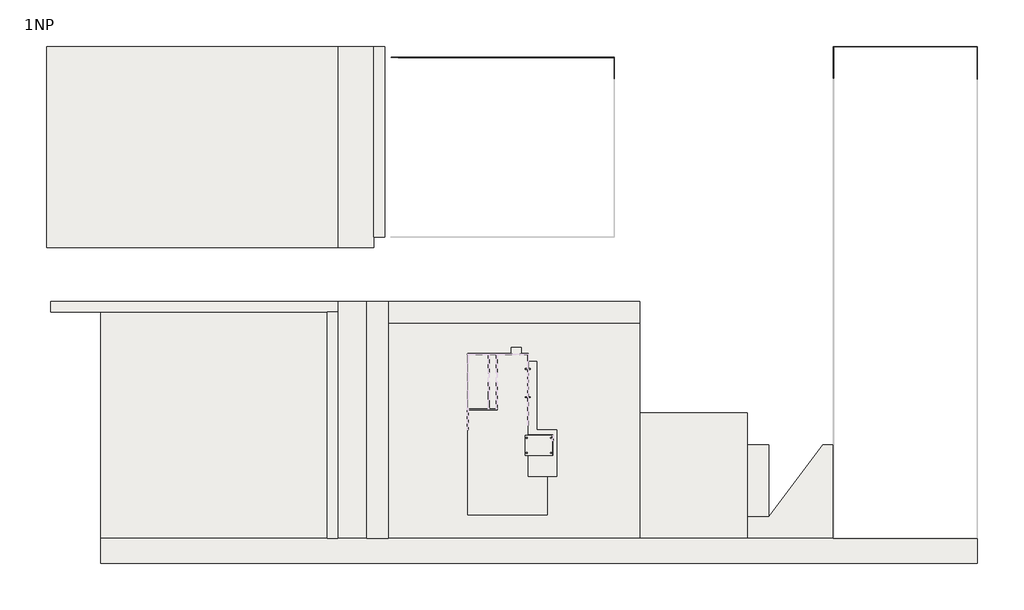
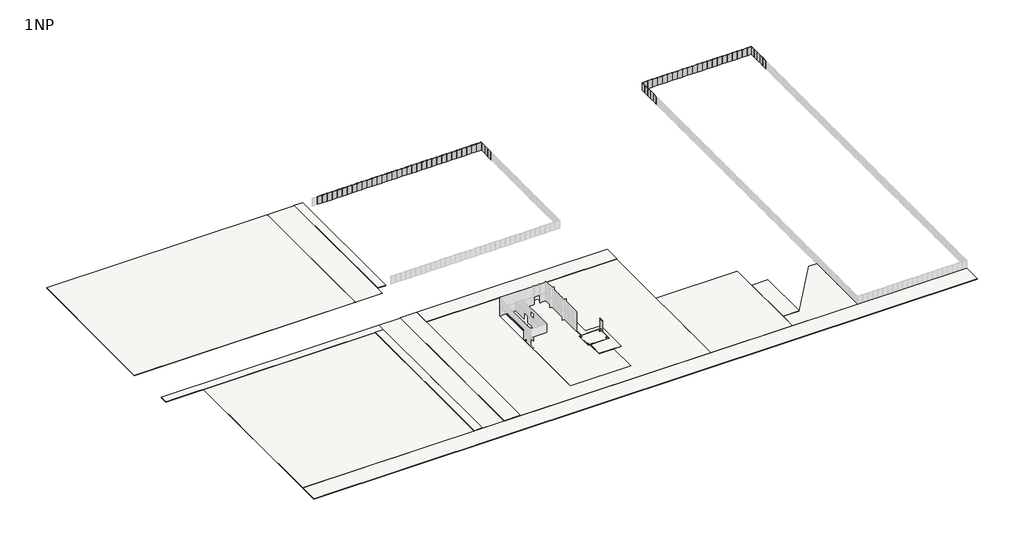
# One storey, part 10 of 52: 103 plates, 17 slabs.
"""IFC4 building model written with IfcOpenShell, lengths in millimetres."""

import ifcopenshell
import ifcopenshell.guid

model = None  # the IFC model being written
_history = None  # IfcOwnerHistory: only IFC2X3 demands one
_inside = {}  # id of a spatial element -> (the spatial element, [elements in it])
_under = {}  # id of a project, library or spatial element -> (it, [spatial elements below it])
_declared = {}  # id of a project -> (the project, [libraries it declares])
_typed = {}  # id of a type object -> (the type object, [elements of that type])
_made_of = {}  # id of a material, layer set ... -> (it, [elements and type objects made of it])


def new_model(schema):
    """Start an empty IFC model of exactly this schema.

    Asked for "IFC4X3", IfcOpenShell would pick the latest addendum, in which some entities
    have other attributes; the version numbers below select the first issue.
    IFC2X3 requires an IfcOwnerHistory on every rooted entity: one is made here for all.
    """
    global model, _history
    if schema == "IFC4X3":
        model = ifcopenshell.file(schema_version=(4, 3, 0, 0))
    else:
        model = ifcopenshell.file(schema=schema)
    _inside.clear()
    _under.clear()
    _declared.clear()
    _typed.clear()
    _made_of.clear()
    _history = None
    if model.schema == "IFC2X3":
        org = make("IfcOrganization", Name="unknown")
        user = make(
            "IfcPersonAndOrganization",
            ThePerson=make("IfcPerson", FamilyName="unknown"),
            TheOrganization=org,
        )
        app = make(
            "IfcApplication",
            ApplicationDeveloper=org,
            Version="unknown",
            ApplicationFullName="unknown",
            ApplicationIdentifier="unknown",
        )
        _history = make(
            "IfcOwnerHistory",
            OwningUser=user,
            OwningApplication=app,
            ChangeAction="ADDED",
            CreationDate=0,
        )
    return model


def make(cls, **values):
    """One entity of the class cls with the attributes given. An attribute that is None is left unset."""
    return model.create_entity(
        cls, **{name: value for name, value in values.items() if value is not None}
    )


def rooted(cls, **values):
    """An entity with a GlobalId (a new one), such as an element, a storey or a relation."""
    return make(cls, GlobalId=ifcopenshell.guid.new(), OwnerHistory=_history, **values)


def si_unit(unit_type, name, prefix=None):
    """IfcSIUnit, for example si_unit("LENGTHUNIT", "METRE", prefix="MILLI")."""
    return make("IfcSIUnit", UnitType=unit_type, Prefix=prefix, Name=name)


def assignment(units):
    """IfcUnitAssignment: the units of a project."""
    return None if units is None else make("IfcUnitAssignment", Units=units)


def point(xyz):
    """IfcCartesianPoint."""
    return None if xyz is None else make("IfcCartesianPoint", Coordinates=xyz)


def direction(xyz):
    """IfcDirection."""
    return None if xyz is None else make("IfcDirection", DirectionRatios=xyz)


def frame(location, z_axis=None, x_axis=None):
    """IfcAxis2Placement3D, a coordinate frame: its origin and axes. An axis left out is left unset."""
    return make(
        "IfcAxis2Placement3D",
        Location=point(location),
        Axis=direction(z_axis),
        RefDirection=direction(x_axis),
    )


def frame_2d(location, x_axis=None):
    """IfcAxis2Placement2D, a coordinate frame in the plane: its origin and x axis."""
    return make(
        "IfcAxis2Placement2D", Location=point(location), RefDirection=direction(x_axis)
    )


def origin():
    """The frame at (0, 0, 0) with its axes left unset."""
    return frame((0.0, 0.0, 0.0))


def origin_with_axes():
    """The frame at (0, 0, 0) with the z axis (0, 0, 1) and the x axis (1, 0, 0) written out."""
    return frame((0.0, 0.0, 0.0), z_axis=(0.0, 0.0, 1.0), x_axis=(1.0, 0.0, 0.0))


def place(relative_to, where):
    """IfcLocalPlacement: puts the frame where relative to a parent placement (None: the world)."""
    return make(
        "IfcLocalPlacement", PlacementRelTo=relative_to, RelativePlacement=where
    )


def context(
    kind, dimensions, precision=None, world=None, true_north=None, identifier=None
):
    """IfcGeometricRepresentationContext, for example the 3D "Model" context."""
    return make(
        "IfcGeometricRepresentationContext",
        ContextIdentifier=identifier,
        ContextType=kind,
        CoordinateSpaceDimension=dimensions,
        Precision=precision,
        WorldCoordinateSystem=world,
        TrueNorth=true_north,
    )


def project(units=None, contexts=None):
    """IfcProject with its units and contexts."""
    return rooted(
        "IfcProject",
        Name="project",
        RepresentationContexts=contexts,
        UnitsInContext=assignment(units),
    )


def spatial(cls, under=None, at=None, **own):
    """A site, building, storey or space (cls), placed at a placement, below another one or the project."""
    s = rooted(cls, ObjectPlacement=at, **own)
    if under is not None:
        _under.setdefault(under.id(), (under, []))[1].append(s)
    return s


def polyline(points):
    """IfcPolyline through the points."""
    return make("IfcPolyline", Points=[point(p) for p in points])


def circle_curve(where, radius):
    """IfcCircle in the frame where."""
    return make("IfcCircle", Position=where, Radius=radius)


def trimmed(basis, trim1, trim2, sense, master):
    """IfcTrimmedCurve: the piece of a basis curve between two trims."""
    return make(
        "IfcTrimmedCurve",
        BasisCurve=basis,
        Trim1=trim1,
        Trim2=trim2,
        SenseAgreement=sense,
        MasterRepresentation=master,
    )


def segment(curve, same_sense, transition):
    """IfcCompositeCurveSegment."""
    return make(
        "IfcCompositeCurveSegment",
        Transition=transition,
        SameSense=same_sense,
        ParentCurve=curve,
    )


def composite_curve(segments, self_intersect=None):
    """IfcCompositeCurve: segments joined end to end."""
    return make("IfcCompositeCurve", Segments=segments, SelfIntersect=self_intersect)


def outline(outer, holes=None, kind="AREA"):
    """IfcArbitraryClosedProfileDef: a profile drawn as a closed curve; with holes, ...WithVoids."""
    if holes is None:
        return make("IfcArbitraryClosedProfileDef", ProfileType=kind, OuterCurve=outer)
    return make(
        "IfcArbitraryProfileDefWithVoids",
        ProfileType=kind,
        OuterCurve=outer,
        InnerCurves=holes,
    )


def extrude(swept, where, along, depth):
    """IfcExtrudedAreaSolid: the profile swept, set in the frame where, extruded along a direction by depth."""
    return make(
        "IfcExtrudedAreaSolid",
        SweptArea=swept,
        Position=where,
        ExtrudedDirection=direction(along),
        Depth=depth,
    )


def shape(context_of_items, identifier, shape_type, items):
    """IfcShapeRepresentation: the items that make up one representation, for example the "Body"."""
    return make(
        "IfcShapeRepresentation",
        ContextOfItems=context_of_items,
        RepresentationIdentifier=identifier,
        RepresentationType=shape_type,
        Items=items,
    )


def source(mapping_origin, context_of_items, identifier, shape_type, items):
    """IfcRepresentationMap: a shape defined once, which mapped items show again and again."""
    return make(
        "IfcRepresentationMap",
        MappingOrigin=mapping_origin,
        MappedRepresentation=shape(context_of_items, identifier, shape_type, items),
    )


def transform(
    local_origin,
    x_axis=None,
    y_axis=None,
    z_axis=None,
    scale=None,
    scale2=None,
    scale3=None,
    uniform=True,
):
    """IfcCartesianTransformationOperator3D, or its non-uniform kind. x_axis, y_axis, z_axis: its Axis1, 2, 3."""
    if uniform:
        return make(
            "IfcCartesianTransformationOperator3D",
            Axis1=direction(x_axis),
            Axis2=direction(y_axis),
            LocalOrigin=point(local_origin),
            Scale=scale,
            Axis3=direction(z_axis),
        )
    return make(
        "IfcCartesianTransformationOperator3DnonUniform",
        Axis1=direction(x_axis),
        Axis2=direction(y_axis),
        LocalOrigin=point(local_origin),
        Scale=scale,
        Axis3=direction(z_axis),
        Scale2=scale2,
        Scale3=scale3,
    )


def mapped(mapping_source, mapping_target):
    """IfcMappedItem: shows the shape of a source again, moved by a transform."""
    return make(
        "IfcMappedItem", MappingSource=mapping_source, MappingTarget=mapping_target
    )


def made_of(thing, what):
    """Note that an element or type object is made of a material, layer set ...; save() writes the relation."""
    if what is not None:
        _made_of.setdefault(what.id(), (what, []))[1].append(thing)
    return thing


def element(
    cls,
    number,
    at=None,
    inside=None,
    cuts=None,
    type_object=None,
    material=None,
    context=None,
    identifier="Body",
    shape_type=None,
    held_by="IfcProductDefinitionShape",
    body=None,
    shapes=None,
    **own,
):
    """One element of the class cls, such as IfcWall. Its Tag is "e" and its number.

    at: its placement. inside: the storey or other place that contains it. cuts: it is an
    opening in that element (IfcRelVoidsElement). A single representation is given by context,
    identifier, shape_type and body (its items); several are given by shapes. held_by: the class
    of the entity that holds the representations. save() writes the other relations.
    """
    e = rooted(cls, Tag="e%d" % number, ObjectPlacement=at, **own)
    if body is not None:
        shapes = [shape(context, identifier, shape_type, body)]
    if shapes is not None:
        e.Representation = make(held_by, Representations=shapes)
    if inside is not None:
        _inside.setdefault(inside.id(), (inside, []))[1].append(e)
    if cuts is not None:
        rooted(
            "IfcRelVoidsElement", RelatingBuildingElement=cuts, RelatedOpeningElement=e
        )
    if type_object is not None:
        _typed.setdefault(type_object.id(), (type_object, []))[1].append(e)
    return made_of(e, material)


def aggregate(whole, parts):
    """IfcRelAggregates: a whole, such as a stair, and the parts it consists of."""
    return rooted("IfcRelAggregates", RelatingObject=whole, RelatedObjects=parts)


def save(model, path):
    """Write the relations noted so far, then the file.

    IfcRelAggregates (storeys below a building ...), IfcRelContainedInSpatialStructure (elements
    in a storey), IfcRelDefinesByType, IfcRelAssociatesMaterial and IfcRelDeclares: one each for
    every whole, place, type object, material and project.
    """
    for whole, parts in _under.values():
        aggregate(whole, parts)
    for where, things in _inside.values():
        rooted(
            "IfcRelContainedInSpatialStructure",
            RelatedElements=things,
            RelatingStructure=where,
        )
    for kind, things in _typed.values():
        rooted("IfcRelDefinesByType", RelatedObjects=things, RelatingType=kind)
    for what, things in _made_of.values():
        rooted("IfcRelAssociatesMaterial", RelatedObjects=things, RelatingMaterial=what)
    for by, libraries in _declared.values():
        rooted("IfcRelDeclares", RelatingContext=by, RelatedDefinitions=libraries)
    model.write(path)


def plate_1b9f2f65(model_context):
    return source(origin(), model_context, "Body", "SweptSolid", [
        extrude(outline(polyline([(915.0000002, 24.5), (-915.0000002, 24.5), (-915.0000002, 49.5), (915.0000002, 49.5), (915.0000002, 24.5)])), origin_with_axes(), (0.0, 0.0, 1.0), 3000.0),
    ])


def plate_9b70a8c7(model_context):
    return source(origin(), model_context, "Body", "SweptSolid", [
        extrude(outline(polyline([(784.9999998, 24.5), (-784.9999998, 24.5), (-784.9999998, 49.5), (784.9999998, 49.5), (784.9999998, 24.5)])), origin_with_axes(), (0.0, 0.0, 1.0), 3000.0),
    ])


def plate_1a719a74(model_context):
    return source(origin(), model_context, "Body", "SweptSolid", [
        extrude(outline(polyline([(789.9999998, 24.5), (-789.9999998, 24.5), (-789.9999998, 49.5), (789.9999998, 49.5), (789.9999998, 24.5)])), origin_with_axes(), (0.0, 0.0, 1.0), 3000.0),
    ])


def plate_968afdac(model_context):
    return source(origin(), model_context, "Body", "SweptSolid", [
        extrude(outline(polyline([(294.9999998, 24.5), (-294.9999998, 24.5), (-294.9999998, 49.5), (294.9999998, 49.5), (294.9999998, 24.5)])), origin_with_axes(), (0.0, 0.0, 1.0), 3000.0),
    ])


def plate_6aa52e40(model_context):
    return source(origin(), model_context, "Body", "SweptSolid", [
        extrude(outline(polyline([(889.9999998, 24.5), (-889.9999998, 24.5), (-889.9999998, 49.5), (889.9999998, 49.5), (889.9999998, 24.5)])), origin_with_axes(), (0.0, 0.0, 1.0), 3000.0),
    ])


model = new_model("IFC4")

# Units and contexts
model_context = context("Model", 3, world=origin())
ifc_project = project(units=[si_unit("LENGTHUNIT", "METRE", prefix="MILLI")], contexts=[model_context])

# Site, building, storey
site = spatial("IfcSite", under=ifc_project)
building = spatial("IfcBuilding", under=site)
storey = spatial("IfcBuildingStorey", under=building, Name="1NP", Elevation=0.0)

# Plates
placement = place(None, origin())
plate_shape = plate_1b9f2f65(model_context)
element("IfcPlate", 1, at=placement, inside=storey, context=model_context, shape_type="MappedRepresentation", body=[
    mapped(plate_shape, transform((124915.0000002, 137000.0, 0.0), x_axis=(1.0, 0.0, 0.0), y_axis=(0.0, 1.0, 0.0), z_axis=(0.0, 0.0, 1.0))),
])
element("IfcPlate", 2, at=placement, inside=storey, context=model_context, shape_type="MappedRepresentation", body=[
    mapped(plate_shape, transform((126745.0000003, 137000.0, 0.0), x_axis=(1.0, 0.0, 0.0), y_axis=(0.0, 1.0, 0.0), z_axis=(0.0, 0.0, 1.0))),
])
element("IfcPlate", 3, at=placement, inside=storey, context=model_context, shape_type="MappedRepresentation", body=[
    mapped(plate_shape, transform((128575.0000003, 137000.0, 0.0), x_axis=(1.0, 0.0, 0.0), y_axis=(0.0, 1.0, 0.0), z_axis=(0.0, 0.0, 1.0))),
])
element("IfcPlate", 4, at=placement, inside=storey, context=model_context, shape_type="MappedRepresentation", body=[
    mapped(plate_shape, transform((130405.0000003, 137000.0, 0.0), x_axis=(1.0, 0.0, 0.0), y_axis=(0.0, 1.0, 0.0), z_axis=(0.0, 0.0, 1.0))),
])
element("IfcPlate", 5, at=placement, inside=storey, context=model_context, shape_type="MappedRepresentation", body=[
    mapped(plate_shape, transform((132235.0000003, 137000.0, 0.0), x_axis=(1.0, 0.0, 0.0), y_axis=(0.0, 1.0, 0.0), z_axis=(0.0, 0.0, 1.0))),
])
element("IfcPlate", 6, at=placement, inside=storey, context=model_context, shape_type="MappedRepresentation", body=[
    mapped(plate_shape, transform((134065.0000003, 137000.0, 0.0), x_axis=(1.0, 0.0, 0.0), y_axis=(0.0, 1.0, 0.0), z_axis=(0.0, 0.0, 1.0))),
])
element("IfcPlate", 7, at=placement, inside=storey, context=model_context, shape_type="MappedRepresentation", body=[
    mapped(plate_shape, transform((135895.0000003, 137000.0, 0.0), x_axis=(1.0, 0.0, 0.0), y_axis=(0.0, 1.0, 0.0), z_axis=(0.0, 0.0, 1.0))),
])
element("IfcPlate", 8, at=placement, inside=storey, context=model_context, shape_type="MappedRepresentation", body=[
    mapped(plate_shape, transform((137725.0000003, 137000.0, 0.0), x_axis=(1.0, 0.0, 0.0), y_axis=(0.0, 1.0, 0.0), z_axis=(0.0, 0.0, 1.0))),
])
element("IfcPlate", 9, at=placement, inside=storey, context=model_context, shape_type="MappedRepresentation", body=[
    mapped(plate_shape, transform((139555.0000003, 137000.0, 0.0), x_axis=(1.0, 0.0, 0.0), y_axis=(0.0, 1.0, 0.0), z_axis=(0.0, 0.0, 1.0))),
])
element("IfcPlate", 10, at=placement, inside=storey, context=model_context, shape_type="MappedRepresentation", body=[
    mapped(plate_shape, transform((141385.0000003, 137000.0, 0.0), x_axis=(1.0, 0.0, 0.0), y_axis=(0.0, 1.0, 0.0), z_axis=(0.0, 0.0, 1.0))),
])
element("IfcPlate", 11, at=placement, inside=storey, context=model_context, shape_type="MappedRepresentation", body=[
    mapped(plate_shape, transform((143215.0000003, 137000.0, 0.0), x_axis=(1.0, 0.0, 0.0), y_axis=(0.0, 1.0, 0.0), z_axis=(0.0, 0.0, 1.0))),
])
element("IfcPlate", 12, at=placement, inside=storey, context=model_context, shape_type="MappedRepresentation", body=[
    mapped(plate_shape, transform((145045.0000003, 137000.0, 0.0), x_axis=(1.0, 0.0, 0.0), y_axis=(0.0, 1.0, 0.0), z_axis=(0.0, 0.0, 1.0))),
])
element("IfcPlate", 13, at=placement, inside=storey, context=model_context, shape_type="MappedRepresentation", body=[
    mapped(plate_shape, transform((146875.0000003, 137000.0, 0.0), x_axis=(1.0, 0.0, 0.0), y_axis=(0.0, 1.0, 0.0), z_axis=(0.0, 0.0, 1.0))),
])
element("IfcPlate", 14, at=placement, inside=storey, context=model_context, shape_type="MappedRepresentation", body=[
    mapped(plate_shape, transform((148705.0000003, 137000.0, 0.0), x_axis=(1.0, 0.0, 0.0), y_axis=(0.0, 1.0, 0.0), z_axis=(0.0, 0.0, 1.0))),
])
element("IfcPlate", 15, at=placement, inside=storey, context=model_context, shape_type="MappedRepresentation", body=[
    mapped(plate_shape, transform((150535.0000003, 137000.0, 0.0), x_axis=(1.0, 0.0, 0.0), y_axis=(0.0, 1.0, 0.0), z_axis=(0.0, 0.0, 1.0))),
])
element("IfcPlate", 16, at=placement, inside=storey, context=model_context, shape_type="MappedRepresentation", body=[
    mapped(plate_shape, transform((152365.0000003, 137000.0, 0.0), x_axis=(1.0, 0.0, 0.0), y_axis=(0.0, 1.0, 0.0), z_axis=(0.0, 0.0, 1.0))),
])
element("IfcPlate", 17, at=placement, inside=storey, context=model_context, shape_type="MappedRepresentation", body=[
    mapped(plate_shape, transform((154195.0000003, 137000.0, 0.0), x_axis=(1.0, 0.0, 0.0), y_axis=(0.0, 1.0, 0.0), z_axis=(0.0, 0.0, 1.0))),
])
element("IfcPlate", 18, at=placement, inside=storey, context=model_context, shape_type="MappedRepresentation", body=[
    mapped(plate_shape, transform((156025.0000003, 137000.0, 0.0), x_axis=(1.0, 0.0, 0.0), y_axis=(0.0, 1.0, 0.0), z_axis=(0.0, 0.0, 1.0))),
])
element("IfcPlate", 19, at=placement, inside=storey, context=model_context, shape_type="MappedRepresentation", body=[
    mapped(plate_shape, transform((157855.0000003, 137000.0, 0.0), x_axis=(1.0, 0.0, 0.0), y_axis=(0.0, 1.0, 0.0), z_axis=(0.0, 0.0, 1.0))),
])
element("IfcPlate", 20, at=placement, inside=storey, context=model_context, shape_type="MappedRepresentation", body=[
    mapped(plate_shape, transform((159685.0000003, 137000.0, 0.0), x_axis=(1.0, 0.0, 0.0), y_axis=(0.0, 1.0, 0.0), z_axis=(0.0, 0.0, 1.0))),
])
element("IfcPlate", 21, at=placement, inside=storey, context=model_context, shape_type="MappedRepresentation", body=[
    mapped(plate_shape, transform((161515.0000003, 137000.0, 0.0), x_axis=(1.0, 0.0, 0.0), y_axis=(0.0, 1.0, 0.0), z_axis=(0.0, 0.0, 1.0))),
])
element("IfcPlate", 22, at=placement, inside=storey, context=model_context, shape_type="MappedRepresentation", body=[
    mapped(plate_shape, transform((164000.0, 136084.9999998, 0.0), x_axis=(0.0, -1.0, 0.0), y_axis=(1.0, 0.0, 0.0), z_axis=(0.0, 0.0, 1.0))),
])
element("IfcPlate", 23, at=placement, inside=storey, context=model_context, shape_type="MappedRepresentation", body=[
    mapped(plate_shape, transform((164000.0, 134254.9999997, 0.0), x_axis=(0.0, -1.0, 0.0), y_axis=(1.0, 0.0, 0.0), z_axis=(0.0, 0.0, 1.0))),
])
element("IfcPlate", 24, at=placement, inside=storey, context=model_context, shape_type="MappedRepresentation", body=[
    mapped(plate_shape, transform((164000.0, 132424.9999997, 0.0), x_axis=(0.0, -1.0, 0.0), y_axis=(1.0, 0.0, 0.0), z_axis=(0.0, 0.0, 1.0))),
])
element("IfcPlate", 25, at=placement, inside=storey, context=model_context, shape_type="MappedRepresentation", body=[
    mapped(plate_shape, transform((164000.0, 130594.9999997, 0.0), x_axis=(0.0, -1.0, 0.0), y_axis=(1.0, 0.0, 0.0), z_axis=(0.0, 0.0, 1.0))),
])
element("IfcPlate", 26, at=placement, inside=storey, context=model_context, shape_type="MappedRepresentation", body=[
    mapped(plate_shape, transform((164000.0, 128764.9999997, 0.0), x_axis=(0.0, -1.0, 0.0), y_axis=(1.0, 0.0, 0.0), z_axis=(0.0, 0.0, 1.0))),
])
element("IfcPlate", 27, at=placement, inside=storey, context=model_context, shape_type="MappedRepresentation", body=[
    mapped(plate_shape, transform((124000.0, 129015.0000003, 0.0), x_axis=(0.0, 1.0, 0.0), y_axis=(-1.0, 0.0, 0.0), z_axis=(0.0, 0.0, 1.0))),
])
element("IfcPlate", 28, at=placement, inside=storey, context=model_context, shape_type="MappedRepresentation", body=[
    mapped(plate_shape, transform((124000.0, 130845.0000003, 0.0), x_axis=(0.0, 1.0, 0.0), y_axis=(-1.0, 0.0, 0.0), z_axis=(0.0, 0.0, 1.0))),
])
element("IfcPlate", 29, at=placement, inside=storey, context=model_context, shape_type="MappedRepresentation", body=[
    mapped(plate_shape, transform((124000.0, 132675.0000003, 0.0), x_axis=(0.0, 1.0, 0.0), y_axis=(-1.0, 0.0, 0.0), z_axis=(0.0, 0.0, 1.0))),
])
element("IfcPlate", 30, at=placement, inside=storey, context=model_context, shape_type="MappedRepresentation", body=[
    mapped(plate_shape, transform((124000.0, 134505.0000003, 0.0), x_axis=(0.0, 1.0, 0.0), y_axis=(-1.0, 0.0, 0.0), z_axis=(0.0, 0.0, 1.0))),
])
element("IfcPlate", 31, at=placement, inside=storey, context=model_context, shape_type="MappedRepresentation", body=[
    mapped(plate_shape, transform((63000.0, 128835.0000003, 0.0), x_axis=(0.0, 1.0, 0.0), y_axis=(-1.0, 0.0, 0.0), z_axis=(0.0, 0.0, 1.0))),
])
element("IfcPlate", 32, at=placement, inside=storey, context=model_context, shape_type="MappedRepresentation", body=[
    mapped(plate_shape, transform((63000.0, 130665.0000003, 0.0), x_axis=(0.0, 1.0, 0.0), y_axis=(-1.0, 0.0, 0.0), z_axis=(0.0, 0.0, 1.0))),
])
element("IfcPlate", 33, at=placement, inside=storey, context=model_context, shape_type="MappedRepresentation", body=[
    mapped(plate_shape, transform((63000.0, 132495.0000003, 0.0), x_axis=(0.0, 1.0, 0.0), y_axis=(-1.0, 0.0, 0.0), z_axis=(0.0, 0.0, 1.0))),
])
element("IfcPlate", 34, at=placement, inside=storey, context=model_context, shape_type="MappedRepresentation", body=[
    mapped(plate_shape, transform((62084.9999998, 134000.0, 0.0), x_axis=(-1.0, 0.0, 0.0), y_axis=(0.0, -1.0, 0.0), z_axis=(0.0, 0.0, 1.0))),
])
element("IfcPlate", 35, at=placement, inside=storey, context=model_context, shape_type="MappedRepresentation", body=[
    mapped(plate_shape, transform((60254.9999997, 134000.0, 0.0), x_axis=(-1.0, 0.0, 0.0), y_axis=(0.0, -1.0, 0.0), z_axis=(0.0, 0.0, 1.0))),
])
element("IfcPlate", 36, at=placement, inside=storey, context=model_context, shape_type="MappedRepresentation", body=[
    mapped(plate_shape, transform((58424.9999997, 134000.0, 0.0), x_axis=(-1.0, 0.0, 0.0), y_axis=(0.0, -1.0, 0.0), z_axis=(0.0, 0.0, 1.0))),
])
element("IfcPlate", 37, at=placement, inside=storey, context=model_context, shape_type="MappedRepresentation", body=[
    mapped(plate_shape, transform((56594.9999997, 134000.0, 0.0), x_axis=(-1.0, 0.0, 0.0), y_axis=(0.0, -1.0, 0.0), z_axis=(0.0, 0.0, 1.0))),
])
element("IfcPlate", 38, at=placement, inside=storey, context=model_context, shape_type="MappedRepresentation", body=[
    mapped(plate_shape, transform((54764.9999997, 134000.0, 0.0), x_axis=(-1.0, 0.0, 0.0), y_axis=(0.0, -1.0, 0.0), z_axis=(0.0, 0.0, 1.0))),
])
element("IfcPlate", 39, at=placement, inside=storey, context=model_context, shape_type="MappedRepresentation", body=[
    mapped(plate_shape, transform((52934.9999997, 134000.0, 0.0), x_axis=(-1.0, 0.0, 0.0), y_axis=(0.0, -1.0, 0.0), z_axis=(0.0, 0.0, 1.0))),
])
element("IfcPlate", 40, at=placement, inside=storey, context=model_context, shape_type="MappedRepresentation", body=[
    mapped(plate_shape, transform((51104.9999997, 134000.0, 0.0), x_axis=(-1.0, 0.0, 0.0), y_axis=(0.0, -1.0, 0.0), z_axis=(0.0, 0.0, 1.0))),
])
element("IfcPlate", 41, at=placement, inside=storey, context=model_context, shape_type="MappedRepresentation", body=[
    mapped(plate_shape, transform((49274.9999997, 134000.0, 0.0), x_axis=(-1.0, 0.0, 0.0), y_axis=(0.0, -1.0, 0.0), z_axis=(0.0, 0.0, 1.0))),
])
element("IfcPlate", 42, at=placement, inside=storey, context=model_context, shape_type="MappedRepresentation", body=[
    mapped(plate_shape, transform((47444.9999997, 134000.0, 0.0), x_axis=(-1.0, 0.0, 0.0), y_axis=(0.0, -1.0, 0.0), z_axis=(0.0, 0.0, 1.0))),
])
element("IfcPlate", 43, at=placement, inside=storey, context=model_context, shape_type="MappedRepresentation", body=[
    mapped(plate_shape, transform((45614.9999997, 134000.0, 0.0), x_axis=(-1.0, 0.0, 0.0), y_axis=(0.0, -1.0, 0.0), z_axis=(0.0, 0.0, 1.0))),
])
element("IfcPlate", 44, at=placement, inside=storey, context=model_context, shape_type="MappedRepresentation", body=[
    mapped(plate_shape, transform((43784.9999997, 134000.0, 0.0), x_axis=(-1.0, 0.0, 0.0), y_axis=(0.0, -1.0, 0.0), z_axis=(0.0, 0.0, 1.0))),
])
element("IfcPlate", 45, at=placement, inside=storey, context=model_context, shape_type="MappedRepresentation", body=[
    mapped(plate_shape, transform((41954.9999997, 134000.0, 0.0), x_axis=(-1.0, 0.0, 0.0), y_axis=(0.0, -1.0, 0.0), z_axis=(0.0, 0.0, 1.0))),
])
element("IfcPlate", 46, at=placement, inside=storey, context=model_context, shape_type="MappedRepresentation", body=[
    mapped(plate_shape, transform((40124.9999997, 134000.0, 0.0), x_axis=(-1.0, 0.0, 0.0), y_axis=(0.0, -1.0, 0.0), z_axis=(0.0, 0.0, 1.0))),
])
element("IfcPlate", 47, at=placement, inside=storey, context=model_context, shape_type="MappedRepresentation", body=[
    mapped(plate_shape, transform((38294.9999997, 134000.0, 0.0), x_axis=(-1.0, 0.0, 0.0), y_axis=(0.0, -1.0, 0.0), z_axis=(0.0, 0.0, 1.0))),
])
element("IfcPlate", 48, at=placement, inside=storey, context=model_context, shape_type="MappedRepresentation", body=[
    mapped(plate_shape, transform((36464.9999997, 134000.0, 0.0), x_axis=(-1.0, 0.0, 0.0), y_axis=(0.0, -1.0, 0.0), z_axis=(0.0, 0.0, 1.0))),
])
element("IfcPlate", 49, at=placement, inside=storey, context=model_context, shape_type="MappedRepresentation", body=[
    mapped(plate_shape, transform((34634.9999997, 134000.0, 0.0), x_axis=(-1.0, 0.0, 0.0), y_axis=(0.0, -1.0, 0.0), z_axis=(0.0, 0.0, 1.0))),
])
element("IfcPlate", 50, at=placement, inside=storey, context=model_context, shape_type="MappedRepresentation", body=[
    mapped(plate_shape, transform((32804.9999997, 134000.0, 0.0), x_axis=(-1.0, 0.0, 0.0), y_axis=(0.0, -1.0, 0.0), z_axis=(0.0, 0.0, 1.0))),
])
element("IfcPlate", 51, at=placement, inside=storey, context=model_context, shape_type="MappedRepresentation", body=[
    mapped(plate_shape, transform((30974.9999997, 134000.0, 0.0), x_axis=(-1.0, 0.0, 0.0), y_axis=(0.0, -1.0, 0.0), z_axis=(0.0, 0.0, 1.0))),
])
element("IfcPlate", 52, at=placement, inside=storey, context=model_context, shape_type="MappedRepresentation", body=[
    mapped(plate_shape, transform((29144.9999997, 134000.0, 0.0), x_axis=(-1.0, 0.0, 0.0), y_axis=(0.0, -1.0, 0.0), z_axis=(0.0, 0.0, 1.0))),
])
element("IfcPlate", 53, at=placement, inside=storey, context=model_context, shape_type="MappedRepresentation", body=[
    mapped(plate_shape, transform((27314.9999997, 134000.0, 0.0), x_axis=(-1.0, 0.0, 0.0), y_axis=(0.0, -1.0, 0.0), z_axis=(0.0, 0.0, 1.0))),
])
element("IfcPlate", 54, at=placement, inside=storey, context=model_context, shape_type="MappedRepresentation", body=[
    mapped(plate_shape, transform((25484.9999997, 134000.0, 0.0), x_axis=(-1.0, 0.0, 0.0), y_axis=(0.0, -1.0, 0.0), z_axis=(0.0, 0.0, 1.0))),
])
element("IfcPlate", 55, at=placement, inside=storey, context=model_context, shape_type="MappedRepresentation", body=[
    mapped(plate_shape, transform((23654.9999997, 134000.0, 0.0), x_axis=(-1.0, 0.0, 0.0), y_axis=(0.0, -1.0, 0.0), z_axis=(0.0, 0.0, 1.0))),
])
element("IfcPlate", 56, at=placement, inside=storey, context=model_context, shape_type="MappedRepresentation", body=[
    mapped(plate_shape, transform((21824.9999997, 134000.0, 0.0), x_axis=(-1.0, 0.0, 0.0), y_axis=(0.0, -1.0, 0.0), z_axis=(0.0, 0.0, 1.0))),
])
element("IfcPlate", 57, at=placement, inside=storey, context=model_context, shape_type="MappedRepresentation", body=[
    mapped(plate_shape, transform((19994.9999997, 134000.0, 0.0), x_axis=(-1.0, 0.0, 0.0), y_axis=(0.0, -1.0, 0.0), z_axis=(0.0, 0.0, 1.0))),
])
element("IfcPlate", 58, at=placement, inside=storey, context=model_context, shape_type="MappedRepresentation", body=[
    mapped(plate_shape, transform((18164.9999997, 134000.0, 0.0), x_axis=(-1.0, 0.0, 0.0), y_axis=(0.0, -1.0, 0.0), z_axis=(0.0, 0.0, 1.0))),
])
element("IfcPlate", 59, at=placement, inside=storey, context=model_context, shape_type="MappedRepresentation", body=[
    mapped(plate_shape, transform((16334.9999997, 134000.0, 0.0), x_axis=(-1.0, 0.0, 0.0), y_axis=(0.0, -1.0, 0.0), z_axis=(0.0, 0.0, 1.0))),
])
element("IfcPlate", 60, at=placement, inside=storey, context=model_context, shape_type="MappedRepresentation", body=[
    mapped(plate_shape, transform((14504.9999997, 134000.0, 0.0), x_axis=(-1.0, 0.0, 0.0), y_axis=(0.0, -1.0, 0.0), z_axis=(0.0, 0.0, 1.0))),
])
element("IfcPlate", 61, at=placement, inside=storey, context=model_context, shape_type="MappedRepresentation", body=[
    mapped(plate_shape, transform((12674.9999997, 134000.0, 0.0), x_axis=(-1.0, 0.0, 0.0), y_axis=(0.0, -1.0, 0.0), z_axis=(0.0, 0.0, 1.0))),
])
element("IfcPlate", 62, at=placement, inside=storey, context=model_context, shape_type="MappedRepresentation", body=[
    mapped(plate_shape, transform((10844.9999997, 134000.0, 0.0), x_axis=(-1.0, 0.0, 0.0), y_axis=(0.0, -1.0, 0.0), z_axis=(0.0, 0.0, 1.0))),
])
element("IfcPlate", 63, at=placement, inside=storey, context=model_context, shape_type="MappedRepresentation", body=[
    mapped(plate_shape, transform((9014.9999997, 134000.0, 0.0), x_axis=(-1.0, 0.0, 0.0), y_axis=(0.0, -1.0, 0.0), z_axis=(0.0, 0.0, 1.0))),
])
element("IfcPlate", 64, at=placement, inside=storey, context=model_context, shape_type="MappedRepresentation", body=[
    mapped(plate_shape, transform((7184.9999997, 134000.0, 0.0), x_axis=(-1.0, 0.0, 0.0), y_axis=(0.0, -1.0, 0.0), z_axis=(0.0, 0.0, 1.0))),
])
element("IfcPlate", 65, at=placement, inside=storey, context=model_context, shape_type="MappedRepresentation", body=[
    mapped(plate_shape, transform((5354.9999997, 134000.0, 0.0), x_axis=(-1.0, 0.0, 0.0), y_axis=(0.0, -1.0, 0.0), z_axis=(0.0, 0.0, 1.0))),
])
element("IfcPlate", 66, at=placement, inside=storey, context=model_context, shape_type="MappedRepresentation", body=[
    mapped(plate_shape, transform((3524.9999997, 134000.0, 0.0), x_axis=(-1.0, 0.0, 0.0), y_axis=(0.0, -1.0, 0.0), z_axis=(0.0, 0.0, 1.0))),
])
element("IfcPlate", 67, at=placement, inside=storey, context=model_context, shape_type="MappedRepresentation", body=[
    mapped(plate_shape, transform((1745.0000003, 134000.0, 0.0), x_axis=(1.0, 0.0, 0.0), y_axis=(0.0, 1.0, 0.0), z_axis=(0.0, 0.0, 1.0))),
])
element("IfcPlate", 68, at=placement, inside=storey, context=model_context, shape_type="MappedRepresentation", body=[
    mapped(plate_shape, transform((3575.0000003, 134000.0, 0.0), x_axis=(1.0, 0.0, 0.0), y_axis=(0.0, 1.0, 0.0), z_axis=(0.0, 0.0, 1.0))),
])
element("IfcPlate", 69, at=placement, inside=storey, context=model_context, shape_type="MappedRepresentation", body=[
    mapped(plate_shape, transform((5405.0000003, 134000.0, 0.0), x_axis=(1.0, 0.0, 0.0), y_axis=(0.0, 1.0, 0.0), z_axis=(0.0, 0.0, 1.0))),
])
element("IfcPlate", 70, at=placement, inside=storey, context=model_context, shape_type="MappedRepresentation", body=[
    mapped(plate_shape, transform((7235.0000003, 134000.0, 0.0), x_axis=(1.0, 0.0, 0.0), y_axis=(0.0, 1.0, 0.0), z_axis=(0.0, 0.0, 1.0))),
])
element("IfcPlate", 71, at=placement, inside=storey, context=model_context, shape_type="MappedRepresentation", body=[
    mapped(plate_shape, transform((9065.0000003, 134000.0, 0.0), x_axis=(1.0, 0.0, 0.0), y_axis=(0.0, 1.0, 0.0), z_axis=(0.0, 0.0, 1.0))),
])
element("IfcPlate", 72, at=placement, inside=storey, context=model_context, shape_type="MappedRepresentation", body=[
    mapped(plate_shape, transform((10895.0000003, 134000.0, 0.0), x_axis=(1.0, 0.0, 0.0), y_axis=(0.0, 1.0, 0.0), z_axis=(0.0, 0.0, 1.0))),
])
element("IfcPlate", 73, at=placement, inside=storey, context=model_context, shape_type="MappedRepresentation", body=[
    mapped(plate_shape, transform((12725.0000003, 134000.0, 0.0), x_axis=(1.0, 0.0, 0.0), y_axis=(0.0, 1.0, 0.0), z_axis=(0.0, 0.0, 1.0))),
])
element("IfcPlate", 74, at=placement, inside=storey, context=model_context, shape_type="MappedRepresentation", body=[
    mapped(plate_shape, transform((14555.0000003, 134000.0, 0.0), x_axis=(1.0, 0.0, 0.0), y_axis=(0.0, 1.0, 0.0), z_axis=(0.0, 0.0, 1.0))),
])
element("IfcPlate", 75, at=placement, inside=storey, context=model_context, shape_type="MappedRepresentation", body=[
    mapped(plate_shape, transform((16385.0000003, 134000.0, 0.0), x_axis=(1.0, 0.0, 0.0), y_axis=(0.0, 1.0, 0.0), z_axis=(0.0, 0.0, 1.0))),
])
element("IfcPlate", 76, at=placement, inside=storey, context=model_context, shape_type="MappedRepresentation", body=[
    mapped(plate_shape, transform((18215.0000003, 134000.0, 0.0), x_axis=(1.0, 0.0, 0.0), y_axis=(0.0, 1.0, 0.0), z_axis=(0.0, 0.0, 1.0))),
])
element("IfcPlate", 77, at=placement, inside=storey, context=model_context, shape_type="MappedRepresentation", body=[
    mapped(plate_shape, transform((20045.0000003, 134000.0, 0.0), x_axis=(1.0, 0.0, 0.0), y_axis=(0.0, 1.0, 0.0), z_axis=(0.0, 0.0, 1.0))),
])
element("IfcPlate", 78, at=placement, inside=storey, context=model_context, shape_type="MappedRepresentation", body=[
    mapped(plate_shape, transform((21875.0000003, 134000.0, 0.0), x_axis=(1.0, 0.0, 0.0), y_axis=(0.0, 1.0, 0.0), z_axis=(0.0, 0.0, 1.0))),
])
element("IfcPlate", 79, at=placement, inside=storey, context=model_context, shape_type="MappedRepresentation", body=[
    mapped(plate_shape, transform((23705.0000003, 134000.0, 0.0), x_axis=(1.0, 0.0, 0.0), y_axis=(0.0, 1.0, 0.0), z_axis=(0.0, 0.0, 1.0))),
])
element("IfcPlate", 80, at=placement, inside=storey, context=model_context, shape_type="MappedRepresentation", body=[
    mapped(plate_shape, transform((25535.0000003, 134000.0, 0.0), x_axis=(1.0, 0.0, 0.0), y_axis=(0.0, 1.0, 0.0), z_axis=(0.0, 0.0, 1.0))),
])
element("IfcPlate", 81, at=placement, inside=storey, context=model_context, shape_type="MappedRepresentation", body=[
    mapped(plate_shape, transform((27365.0000003, 134000.0, 0.0), x_axis=(1.0, 0.0, 0.0), y_axis=(0.0, 1.0, 0.0), z_axis=(0.0, 0.0, 1.0))),
])
element("IfcPlate", 82, at=placement, inside=storey, context=model_context, shape_type="MappedRepresentation", body=[
    mapped(plate_shape, transform((29195.0000003, 134000.0, 0.0), x_axis=(1.0, 0.0, 0.0), y_axis=(0.0, 1.0, 0.0), z_axis=(0.0, 0.0, 1.0))),
])
element("IfcPlate", 83, at=placement, inside=storey, context=model_context, shape_type="MappedRepresentation", body=[
    mapped(plate_shape, transform((31025.0000003, 134000.0, 0.0), x_axis=(1.0, 0.0, 0.0), y_axis=(0.0, 1.0, 0.0), z_axis=(0.0, 0.0, 1.0))),
])
element("IfcPlate", 84, at=placement, inside=storey, context=model_context, shape_type="MappedRepresentation", body=[
    mapped(plate_shape, transform((32855.0000003, 134000.0, 0.0), x_axis=(1.0, 0.0, 0.0), y_axis=(0.0, 1.0, 0.0), z_axis=(0.0, 0.0, 1.0))),
])
element("IfcPlate", 85, at=placement, inside=storey, context=model_context, shape_type="MappedRepresentation", body=[
    mapped(plate_shape, transform((34685.0000003, 134000.0, 0.0), x_axis=(1.0, 0.0, 0.0), y_axis=(0.0, 1.0, 0.0), z_axis=(0.0, 0.0, 1.0))),
])
element("IfcPlate", 86, at=placement, inside=storey, context=model_context, shape_type="MappedRepresentation", body=[
    mapped(plate_shape, transform((36515.0000003, 134000.0, 0.0), x_axis=(1.0, 0.0, 0.0), y_axis=(0.0, 1.0, 0.0), z_axis=(0.0, 0.0, 1.0))),
])
element("IfcPlate", 87, at=placement, inside=storey, context=model_context, shape_type="MappedRepresentation", body=[
    mapped(plate_shape, transform((38345.0000003, 134000.0, 0.0), x_axis=(1.0, 0.0, 0.0), y_axis=(0.0, 1.0, 0.0), z_axis=(0.0, 0.0, 1.0))),
])
element("IfcPlate", 88, at=placement, inside=storey, context=model_context, shape_type="MappedRepresentation", body=[
    mapped(plate_shape, transform((40175.0000003, 134000.0, 0.0), x_axis=(1.0, 0.0, 0.0), y_axis=(0.0, 1.0, 0.0), z_axis=(0.0, 0.0, 1.0))),
])
element("IfcPlate", 89, at=placement, inside=storey, context=model_context, shape_type="MappedRepresentation", body=[
    mapped(plate_shape, transform((42005.0000003, 134000.0, 0.0), x_axis=(1.0, 0.0, 0.0), y_axis=(0.0, 1.0, 0.0), z_axis=(0.0, 0.0, 1.0))),
])
element("IfcPlate", 90, at=placement, inside=storey, context=model_context, shape_type="MappedRepresentation", body=[
    mapped(plate_shape, transform((43835.0000003, 134000.0, 0.0), x_axis=(1.0, 0.0, 0.0), y_axis=(0.0, 1.0, 0.0), z_axis=(0.0, 0.0, 1.0))),
])
element("IfcPlate", 91, at=placement, inside=storey, context=model_context, shape_type="MappedRepresentation", body=[
    mapped(plate_shape, transform((45665.0000003, 134000.0, 0.0), x_axis=(1.0, 0.0, 0.0), y_axis=(0.0, 1.0, 0.0), z_axis=(0.0, 0.0, 1.0))),
])
element("IfcPlate", 92, at=placement, inside=storey, context=model_context, shape_type="MappedRepresentation", body=[
    mapped(plate_shape, transform((47495.0000003, 134000.0, 0.0), x_axis=(1.0, 0.0, 0.0), y_axis=(0.0, 1.0, 0.0), z_axis=(0.0, 0.0, 1.0))),
])
element("IfcPlate", 93, at=placement, inside=storey, context=model_context, shape_type="MappedRepresentation", body=[
    mapped(plate_shape, transform((49325.0000003, 134000.0, 0.0), x_axis=(1.0, 0.0, 0.0), y_axis=(0.0, 1.0, 0.0), z_axis=(0.0, 0.0, 1.0))),
])
element("IfcPlate", 94, at=placement, inside=storey, context=model_context, shape_type="MappedRepresentation", body=[
    mapped(plate_shape, transform((51155.0000003, 134000.0, 0.0), x_axis=(1.0, 0.0, 0.0), y_axis=(0.0, 1.0, 0.0), z_axis=(0.0, 0.0, 1.0))),
])
element("IfcPlate", 95, at=placement, inside=storey, context=model_context, shape_type="MappedRepresentation", body=[
    mapped(plate_shape, transform((52985.0000003, 134000.0, 0.0), x_axis=(1.0, 0.0, 0.0), y_axis=(0.0, 1.0, 0.0), z_axis=(0.0, 0.0, 1.0))),
])
element("IfcPlate", 96, at=placement, inside=storey, context=model_context, shape_type="MappedRepresentation", body=[
    mapped(plate_shape, transform((54815.0000003, 134000.0, 0.0), x_axis=(1.0, 0.0, 0.0), y_axis=(0.0, 1.0, 0.0), z_axis=(0.0, 0.0, 1.0))),
])
element("IfcPlate", 97, at=placement, inside=storey, context=model_context, shape_type="MappedRepresentation", body=[
    mapped(plate_shape, transform((56645.0000003, 134000.0, 0.0), x_axis=(1.0, 0.0, 0.0), y_axis=(0.0, 1.0, 0.0), z_axis=(0.0, 0.0, 1.0))),
])
element("IfcPlate", 98, at=placement, inside=storey, context=model_context, shape_type="MappedRepresentation", body=[
    mapped(plate_shape, transform((58475.0000003, 134000.0, 0.0), x_axis=(1.0, 0.0, 0.0), y_axis=(0.0, 1.0, 0.0), z_axis=(0.0, 0.0, 1.0))),
])
element("IfcPlate", 99, at=placement, inside=storey, context=model_context, shape_type="MappedRepresentation", body=[
    mapped(plate_shape, transform((60305.0000003, 134000.0, 0.0), x_axis=(1.0, 0.0, 0.0), y_axis=(0.0, 1.0, 0.0), z_axis=(0.0, 0.0, 1.0))),
])
plate_2_shape = plate_9b70a8c7(model_context)
element("IfcPlate", 100, at=placement, inside=storey, context=model_context, shape_type="MappedRepresentation", body=[
    mapped(plate_2_shape, transform((163215.0000002, 137000.0, 0.0), x_axis=(1.0, 0.0, 0.0), y_axis=(0.0, 1.0, 0.0), z_axis=(0.0, 0.0, 1.0))),
])
plate_3_shape = plate_1a719a74(model_context)
element("IfcPlate", 101, at=placement, inside=storey, context=model_context, shape_type="MappedRepresentation", body=[
    mapped(plate_3_shape, transform((124000.0, 136210.0000002, 0.0), x_axis=(0.0, 1.0, 0.0), y_axis=(-1.0, 0.0, 0.0), z_axis=(0.0, 0.0, 1.0))),
])
plate_4_shape = plate_968afdac(model_context)
element("IfcPlate", 102, at=placement, inside=storey, context=model_context, shape_type="MappedRepresentation", body=[
    mapped(plate_4_shape, transform((63000.0, 133705.0000002, 0.0), x_axis=(0.0, 1.0, 0.0), y_axis=(-1.0, 0.0, 0.0), z_axis=(0.0, 0.0, 1.0))),
])
plate_5_shape = plate_6aa52e40(model_context)
element("IfcPlate", 103, at=placement, inside=storey, context=model_context, shape_type="MappedRepresentation", body=[
    mapped(plate_5_shape, transform((62110.0000002, 134000.0, 0.0), x_axis=(1.0, 0.0, 0.0), y_axis=(0.0, 1.0, 0.0), z_axis=(0.0, 0.0, 1.0))),
])

# Slabs
element("IfcSlab", 104, at=placement, inside=storey, context=model_context, shape_type="SweptSolid", body=[
    extrude(outline(polyline([(-95107.4750884, 81000.0), (-95107.4750884, 137000.0), (-14000.0, 137000.0), (-14000.0, 81000.0), (-95107.4750884, 81000.0)])), frame((0.0, 0.0, -150.0), z_axis=(0.0, 0.0, 1.0), x_axis=(1.0, 0.0, 0.0)), (0.0, 0.0, 1.0), 150.0),
])
element("IfcSlab", 105, at=placement, inside=storey, context=model_context, shape_type="SweptSolid", body=[
    extrude(outline(polyline([(-6000.0, 45.0), (-14000.0, 45.0), (-14000.0, 66000.0), (-6000.0, 66000.0), (-6000.0, 45.0)])), frame((0.0, 0.0, -150.0), z_axis=(0.0, 0.0, 1.0), x_axis=(1.0, 0.0, 0.0)), (0.0, 0.0, 1.0), 150.0),
])
element("IfcSlab", 106, at=placement, inside=storey, context=model_context, shape_type="SweptSolid", body=[
    extrude(outline(polyline([(-4000.0, 137000.0), (-4000.0, 81000.0), (-14000.0, 81000.0), (-14000.0, 137000.0), (-4000.0, 137000.0)])), frame((0.0, 0.0, -150.0), z_axis=(0.0, 0.0, 1.0), x_axis=(1.0, 0.0, 0.0)), (0.0, 0.0, 1.0), 150.0),
])
element("IfcSlab", 107, at=placement, inside=storey, context=model_context, shape_type="SweptSolid", body=[
    extrude(outline(polyline([(106000.0, 6000.0), (100000.0, 6000.0), (100000.0, 26000.0), (106000.0, 26000.0), (106000.0, 6000.0)])), frame((0.0, 0.0, -150.0), z_axis=(0.0, 0.0, 1.0), x_axis=(1.0, 0.0, 0.0)), (0.0, 0.0, 1.0), 150.0),
])
element("IfcSlab", 108, at=placement, inside=storey, context=model_context, shape_type="SweptSolid", body=[
    extrude(outline(polyline([(-17021.9059892, 45.0), (-17021.9059892, 63045.0), (-14000.0, 63045.0), (-14000.0, 45.0), (-17021.9059892, 45.0)])), origin_with_axes(), (0.0, 0.0, 1.0), 150.0),
])
element("IfcSlab", 109, at=placement, inside=storey, context=model_context, shape_type="SweptSolid", body=[
    extrude(outline(polyline([(-94000.0, 63045.0), (-94000.0, 66000.0), (-14000.0, 66000.0), (-14000.0, 63045.0), (-94000.0, 63045.0)])), origin_with_axes(), (0.0, 0.0, 1.0), 150.0),
])
element("IfcSlab", 110, at=placement, inside=storey, context=model_context, shape_type="SweptSolid", body=[
    extrude(outline(polyline([(0.0, 66000.0), (0.0, 0.0), (-6000.0, 0.0), (-6000.0, 66000.0), (0.0, 66000.0)])), origin_with_axes(), (0.0, 0.0, 1.0), 150.0),
])
element("IfcSlab", 111, at=placement, inside=storey, context=model_context, shape_type="SweptSolid", body=[
    extrude(outline(polyline([(70018.5515509, 66000.0), (70018.5515509, 60012.1321713), (0.0, 60012.1321713), (0.0, 66000.0), (70018.5515509, 66000.0)])), origin_with_axes(), (0.0, 0.0, 1.0), 150.0),
])
element("IfcSlab", 112, at=placement, inside=storey, context=model_context, shape_type="SweptSolid", body=[
    extrude(outline(polyline([(-1000.0, 137000.0), (-1000.0, 84000.0), (-4000.0, 84000.0), (-4000.0, 137000.0), (-1000.0, 137000.0)])), origin_with_axes(), (0.0, 0.0, 1.0), 150.0),
])
element("IfcSlab", 113, at=placement, inside=storey, context=model_context, shape_type="SweptSolid", body=[
    extrude(outline(polyline([(41300.2315883, 49277.7722621), (41300.2315883, 30283.2523689), (46985.8026506, 30283.2523689), (46985.8026506, 17267.7722608), (39000.2315883, 17267.7722608), (39000.2315883, 22928.8332136), (45885.8026506, 22928.8332136), (45885.8026506, 28928.8332136), (39000.2315883, 28928.8332136), (39000.2315883, 39285.0131379), (39612.7315883, 39285.0131379), (39612.7315883, 39485.0131379), (39000.2315883, 39485.0131379), (39000.2315883, 47110.6889756), (39612.7315883, 47110.6889756), (39612.7315883, 47310.6889756), (39000.2315883, 47310.6889756), (39000.2315883, 49277.7722621), (41300.2315883, 49277.7722621)])), origin_with_axes(), (0.0, 0.0, 1.0), 150.0),
])
element("IfcSlab", 114, at=placement, inside=storey, context=model_context, shape_type="SweptSolid", body=[
    extrude(outline(polyline([(45733.3026506, 28728.8332136), (45733.3026506, 23128.8332136), (38212.7315883, 23128.8332136), (38212.7315883, 28728.8332136), (45733.3026506, 28728.8332136)]), holes=[composite_curve([segment(trimmed(circle_curve(frame_2d((45309.4738448, 23833.2523715)), 150.0), [point((45159.4738448, 23833.2523715))], [point((45459.4738448, 23833.2523715))], True, "CARTESIAN"), True, "CONTINUOUS"), segment(trimmed(circle_curve(frame_2d((45309.4738448, 23833.2523715)), 150.0), [point((45459.4738448, 23833.2523715))], [point((45159.4738448, 23833.2523715))], True, "CARTESIAN"), True, "CONTINUOUS")], self_intersect=False), composite_curve([segment(trimmed(circle_curve(frame_2d((45309.4738448, 28033.2523715)), 150.0), [point((45159.4738448, 28033.2523715))], [point((45459.4738448, 28033.2523715))], True, "CARTESIAN"), True, "CONTINUOUS"), segment(trimmed(circle_curve(frame_2d((45309.4738448, 28033.2523715)), 150.0), [point((45459.4738448, 28033.2523715))], [point((45159.4738448, 28033.2523715))], True, "CARTESIAN"), True, "CONTINUOUS")], self_intersect=False), composite_curve([segment(trimmed(circle_curve(frame_2d((38559.4738448, 28033.2523715)), 150.0), [point((38409.4738448, 28033.2523715))], [point((38709.4738448, 28033.2523715))], True, "CARTESIAN"), True, "CONTINUOUS"), segment(trimmed(circle_curve(frame_2d((38559.4738448, 28033.2523715)), 150.0), [point((38709.4738448, 28033.2523715))], [point((38409.4738448, 28033.2523715))], True, "CARTESIAN"), True, "CONTINUOUS")], self_intersect=False), composite_curve([segment(trimmed(circle_curve(frame_2d((38559.4738448, 23833.2523715)), 150.0), [point((38409.4738448, 23833.2523715))], [point((38709.4738448, 23833.2523715))], True, "CARTESIAN"), True, "CONTINUOUS"), segment(trimmed(circle_curve(frame_2d((38559.4738448, 23833.2523715)), 150.0), [point((38709.4738448, 23833.2523715))], [point((38409.4738448, 23833.2523715))], True, "CARTESIAN"), True, "CONTINUOUS")], self_intersect=False)]), origin_with_axes(), (0.0, 0.0, 1.0), 150.0),
])
element("IfcSlab", 115, at=placement, inside=storey, context=model_context, shape_type="SweptSolid", body=[
    extrude(outline(polyline([(-17021.9059892, 0.0), (-80000.0, 0.0), (-80000.0, 63045.0), (-17021.9059892, 63045.0), (-17021.9059892, 0.0)])), frame((0.0, 0.0, -150.0), z_axis=(0.0, 0.0, 1.0), x_axis=(1.0, 0.0, 0.0)), (0.0, 0.0, 1.0), 150.0),
])
element("IfcSlab", 116, at=placement, inside=storey, context=model_context, shape_type="SweptSolid", body=[
    extrude(outline(polyline([(0.0, 0.0), (0.0, 60012.1321713), (70018.5515509, 60012.1321713), (70018.5515509, 0.0), (0.0, 0.0)])), frame((0.0, 0.0, -150.0), z_axis=(0.0, 0.0, 1.0), x_axis=(1.0, 0.0, 0.0)), (0.0, 0.0, 1.0), 150.0),
])
element("IfcSlab", 117, at=placement, inside=storey, context=model_context, shape_type="SweptSolid", body=[
    extrude(outline(polyline([(100000.0, 35000.0), (100000.0, 0.0), (70018.5515509, 0.0), (70018.5515509, 35000.0), (100000.0, 35000.0)])), frame((0.0, 0.0, -150.0), z_axis=(0.0, 0.0, 1.0), x_axis=(1.0, 0.0, 0.0)), (0.0, 0.0, 1.0), 150.0),
])
element("IfcSlab", 118, at=placement, inside=storey, context=model_context, shape_type="SweptSolid", body=[
    extrude(outline(polyline([(164000.0, -6949.9981495), (-80000.0, -6949.9981495), (-80000.0, 0.0), (164000.0, 0.0), (164000.0, -6949.9981495)])), frame((0.0, 0.0, -150.0), z_axis=(0.0, 0.0, 1.0), x_axis=(1.0, 0.0, 0.0)), (0.0, 0.0, 1.0), 150.0),
])
element("IfcSlab", 119, at=placement, inside=storey, context=model_context, shape_type="SweptSolid", body=[
    extrude(outline(polyline([(100000.0, 0.0), (100000.0, 5956.8762737), (105900.0, 5956.8762737), (121000.0, 26000.0), (123950.5, 26000.0), (123950.5, 0.0), (100000.0, 0.0)])), frame((0.0, 0.0, -150.0), z_axis=(0.0, 0.0, 1.0), x_axis=(1.0, 0.0, 0.0)), (0.0, 0.0, 1.0), 150.0),
])
element("IfcSlab", 120, ObjectType="STB 30.0", at=placement, inside=storey, context=model_context, shape_type="SweptSolid", body=[
    extrude(outline(polyline([(37060.2315883, 51513.2523729), (39000.2315883, 51513.2523729), (39000.2315883, 49480.2722621), (38797.7315883, 49480.2722621), (38797.7315883, 28928.8332136), (42112.7315883, 28928.8332136), (42112.7315883, 28858.8332136), (45733.3026506, 28858.8332136), (45733.3026506, 28728.8332136), (45863.3026506, 28728.8332136), (45863.3026506, 23128.8332136), (45733.3026506, 23128.8332136), (45733.3026506, 22998.8332136), (42112.7315883, 22998.8332136), (42112.7315883, 22928.8332136), (38797.7315883, 22928.8332136), (38797.7315883, 17230.2722608), (44312.7315882, 17230.2722608), (44312.7315882, 6556.2249991), (22088.761166, 6556.2249991), (22088.761166, 51513.2523729), (34200.2315883, 51513.2523729), (34200.2315883, 53213.2523729), (37060.2315883, 53213.2523729), (37060.2315883, 51513.2523729)])), frame((0.0, 0.0, -300.0), z_axis=(0.0, 0.0, 1.0), x_axis=(1.0, 0.0, 0.0)), (0.0, 0.0, 1.0), 300.0),
])

save(model, "model.ifc")
